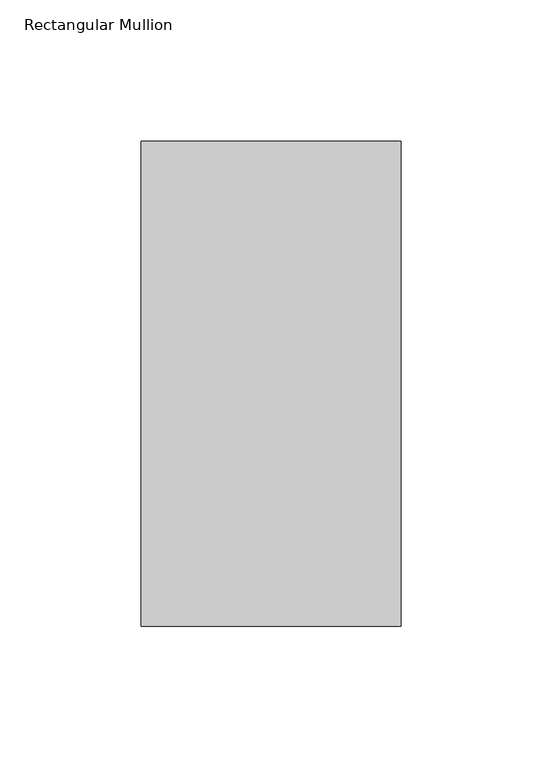
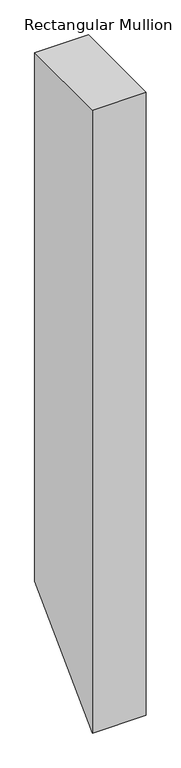
"""IFC4 building model written with IfcOpenShell, lengths in millimetres: member geometry, Rectangular Mullion."""

import ifcopenshell
import ifcopenshell.guid

model = None  # the IFC model being written
_history = None  # IfcOwnerHistory: only IFC2X3 demands one
_inside = {}  # id of a spatial element -> (the spatial element, [elements in it])
_under = {}  # id of a project, library or spatial element -> (it, [spatial elements below it])
_declared = {}  # id of a project -> (the project, [libraries it declares])
_typed = {}  # id of a type object -> (the type object, [elements of that type])
_made_of = {}  # id of a material, layer set ... -> (it, [elements and type objects made of it])


def new_model(schema):
    """Start an empty IFC model of exactly this schema.

    Asked for "IFC4X3", IfcOpenShell would pick the latest addendum, in which some entities
    have other attributes; the version numbers below select the first issue.
    IFC2X3 requires an IfcOwnerHistory on every rooted entity: one is made here for all.
    """
    global model, _history
    if schema == "IFC4X3":
        model = ifcopenshell.file(schema_version=(4, 3, 0, 0))
    else:
        model = ifcopenshell.file(schema=schema)
    _inside.clear()
    _under.clear()
    _declared.clear()
    _typed.clear()
    _made_of.clear()
    _history = None
    if model.schema == "IFC2X3":
        org = make("IfcOrganization", Name="unknown")
        user = make(
            "IfcPersonAndOrganization",
            ThePerson=make("IfcPerson", FamilyName="unknown"),
            TheOrganization=org,
        )
        app = make(
            "IfcApplication",
            ApplicationDeveloper=org,
            Version="unknown",
            ApplicationFullName="unknown",
            ApplicationIdentifier="unknown",
        )
        _history = make(
            "IfcOwnerHistory",
            OwningUser=user,
            OwningApplication=app,
            ChangeAction="ADDED",
            CreationDate=0,
        )
    return model


def make(cls, **values):
    """One entity of the class cls with the attributes given. An attribute that is None is left unset."""
    return model.create_entity(
        cls, **{name: value for name, value in values.items() if value is not None}
    )


def rooted(cls, **values):
    """An entity with a GlobalId (a new one), such as an element, a storey or a relation."""
    return make(cls, GlobalId=ifcopenshell.guid.new(), OwnerHistory=_history, **values)


def si_unit(unit_type, name, prefix=None):
    """IfcSIUnit, for example si_unit("LENGTHUNIT", "METRE", prefix="MILLI")."""
    return make("IfcSIUnit", UnitType=unit_type, Prefix=prefix, Name=name)


def assignment(units):
    """IfcUnitAssignment: the units of a project."""
    return None if units is None else make("IfcUnitAssignment", Units=units)


def point(xyz):
    """IfcCartesianPoint."""
    return None if xyz is None else make("IfcCartesianPoint", Coordinates=xyz)


def direction(xyz):
    """IfcDirection."""
    return None if xyz is None else make("IfcDirection", DirectionRatios=xyz)


def frame(location, z_axis=None, x_axis=None):
    """IfcAxis2Placement3D, a coordinate frame: its origin and axes. An axis left out is left unset."""
    return make(
        "IfcAxis2Placement3D",
        Location=point(location),
        Axis=direction(z_axis),
        RefDirection=direction(x_axis),
    )


def origin():
    """The frame at (0, 0, 0) with its axes left unset."""
    return frame((0.0, 0.0, 0.0))


def place(relative_to, where):
    """IfcLocalPlacement: puts the frame where relative to a parent placement (None: the world)."""
    return make(
        "IfcLocalPlacement", PlacementRelTo=relative_to, RelativePlacement=where
    )


def context(
    kind, dimensions, precision=None, world=None, true_north=None, identifier=None
):
    """IfcGeometricRepresentationContext, for example the 3D "Model" context."""
    return make(
        "IfcGeometricRepresentationContext",
        ContextIdentifier=identifier,
        ContextType=kind,
        CoordinateSpaceDimension=dimensions,
        Precision=precision,
        WorldCoordinateSystem=world,
        TrueNorth=true_north,
    )


def project(units=None, contexts=None):
    """IfcProject with its units and contexts."""
    return rooted(
        "IfcProject",
        Name="project",
        RepresentationContexts=contexts,
        UnitsInContext=assignment(units),
    )


def spatial(cls, under=None, at=None, **own):
    """A site, building, storey or space (cls), placed at a placement, below another one or the project."""
    s = rooted(cls, ObjectPlacement=at, **own)
    if under is not None:
        _under.setdefault(under.id(), (under, []))[1].append(s)
    return s


def polyline(points):
    """IfcPolyline through the points."""
    return make("IfcPolyline", Points=[point(p) for p in points])


def outline(outer, holes=None, kind="AREA"):
    """IfcArbitraryClosedProfileDef: a profile drawn as a closed curve; with holes, ...WithVoids."""
    if holes is None:
        return make("IfcArbitraryClosedProfileDef", ProfileType=kind, OuterCurve=outer)
    return make(
        "IfcArbitraryProfileDefWithVoids",
        ProfileType=kind,
        OuterCurve=outer,
        InnerCurves=holes,
    )


def extrude(swept, where, along, depth):
    """IfcExtrudedAreaSolid: the profile swept, set in the frame where, extruded along a direction by depth."""
    return make(
        "IfcExtrudedAreaSolid",
        SweptArea=swept,
        Position=where,
        ExtrudedDirection=direction(along),
        Depth=depth,
    )


def shape(context_of_items, identifier, shape_type, items):
    """IfcShapeRepresentation: the items that make up one representation, for example the "Body"."""
    return make(
        "IfcShapeRepresentation",
        ContextOfItems=context_of_items,
        RepresentationIdentifier=identifier,
        RepresentationType=shape_type,
        Items=items,
    )


def source(mapping_origin, context_of_items, identifier, shape_type, items):
    """IfcRepresentationMap: a shape defined once, which mapped items show again and again."""
    return make(
        "IfcRepresentationMap",
        MappingOrigin=mapping_origin,
        MappedRepresentation=shape(context_of_items, identifier, shape_type, items),
    )


def transform(
    local_origin,
    x_axis=None,
    y_axis=None,
    z_axis=None,
    scale=None,
    scale2=None,
    scale3=None,
    uniform=True,
):
    """IfcCartesianTransformationOperator3D, or its non-uniform kind. x_axis, y_axis, z_axis: its Axis1, 2, 3."""
    if uniform:
        return make(
            "IfcCartesianTransformationOperator3D",
            Axis1=direction(x_axis),
            Axis2=direction(y_axis),
            LocalOrigin=point(local_origin),
            Scale=scale,
            Axis3=direction(z_axis),
        )
    return make(
        "IfcCartesianTransformationOperator3DnonUniform",
        Axis1=direction(x_axis),
        Axis2=direction(y_axis),
        LocalOrigin=point(local_origin),
        Scale=scale,
        Axis3=direction(z_axis),
        Scale2=scale2,
        Scale3=scale3,
    )


def mapped(mapping_source, mapping_target):
    """IfcMappedItem: shows the shape of a source again, moved by a transform."""
    return make(
        "IfcMappedItem", MappingSource=mapping_source, MappingTarget=mapping_target
    )


def made_of(thing, what):
    """Note that an element or type object is made of a material, layer set ...; save() writes the relation."""
    if what is not None:
        _made_of.setdefault(what.id(), (what, []))[1].append(thing)
    return thing


def element(
    cls,
    number,
    at=None,
    inside=None,
    cuts=None,
    type_object=None,
    material=None,
    context=None,
    identifier="Body",
    shape_type=None,
    held_by="IfcProductDefinitionShape",
    body=None,
    shapes=None,
    **own,
):
    """One element of the class cls, such as IfcWall. Its Tag is "e" and its number.

    at: its placement. inside: the storey or other place that contains it. cuts: it is an
    opening in that element (IfcRelVoidsElement). A single representation is given by context,
    identifier, shape_type and body (its items); several are given by shapes. held_by: the class
    of the entity that holds the representations. save() writes the other relations.
    """
    e = rooted(cls, Tag="e%d" % number, ObjectPlacement=at, **own)
    if body is not None:
        shapes = [shape(context, identifier, shape_type, body)]
    if shapes is not None:
        e.Representation = make(held_by, Representations=shapes)
    if inside is not None:
        _inside.setdefault(inside.id(), (inside, []))[1].append(e)
    if cuts is not None:
        rooted(
            "IfcRelVoidsElement", RelatingBuildingElement=cuts, RelatedOpeningElement=e
        )
    if type_object is not None:
        _typed.setdefault(type_object.id(), (type_object, []))[1].append(e)
    return made_of(e, material)


def aggregate(whole, parts):
    """IfcRelAggregates: a whole, such as a stair, and the parts it consists of."""
    return rooted("IfcRelAggregates", RelatingObject=whole, RelatedObjects=parts)


def save(model, path):
    """Write the relations noted so far, then the file.

    IfcRelAggregates (storeys below a building ...), IfcRelContainedInSpatialStructure (elements
    in a storey), IfcRelDefinesByType, IfcRelAssociatesMaterial and IfcRelDeclares: one each for
    every whole, place, type object, material and project.
    """
    for whole, parts in _under.values():
        aggregate(whole, parts)
    for where, things in _inside.values():
        rooted(
            "IfcRelContainedInSpatialStructure",
            RelatedElements=things,
            RelatingStructure=where,
        )
    for kind, things in _typed.values():
        rooted("IfcRelDefinesByType", RelatedObjects=things, RelatingType=kind)
    for what, things in _made_of.values():
        rooted("IfcRelAssociatesMaterial", RelatedObjects=things, RelatingMaterial=what)
    for by, libraries in _declared.values():
        rooted("IfcRelDeclares", RelatingContext=by, RelatedDefinitions=libraries)
    model.write(path)


def rectangular_mullion_67b10e75(model_context):
    return source(origin(), model_context, "Body", "SweptSolid", [
        extrude(outline(polyline([(50.820278, 0.0), (222.5496791, 0.0), (222.5496791, -958.8939912), (50.820278, -1130.6233923), (50.820278, 0.0)])), frame((-92.0749999, 0.0, 0.0), z_axis=(1.0, 0.0, 0.0), x_axis=(0.0, 1.0, 0.0)), (0.0, 0.0, 1.0), 92.0749999),
    ])


if __name__ == "__main__":
    model = new_model("IFC4")
    model_context = context("Model", 3, world=origin())
    ifc_project = project(units=[si_unit("LENGTHUNIT", "METRE", prefix="MILLI")], contexts=[model_context])
    site = spatial("IfcSite", under=ifc_project)
    building = spatial("IfcBuilding", under=site)
    placement = place(None, origin())
    rectangular_mullion_shape = rectangular_mullion_67b10e75(model_context)
    element("IfcMember", 1, ObjectType="Rectangular Mullion", at=placement, inside=building, context=model_context, shape_type="MappedRepresentation", body=[
        mapped(rectangular_mullion_shape, transform((0.0, 0.0, 0.0), x_axis=(1.0, 0.0, 0.0), y_axis=(0.0, 1.0, 0.0), z_axis=(0.0, 0.0, 1.0))),
    ])
    save(model, "model.ifc")
